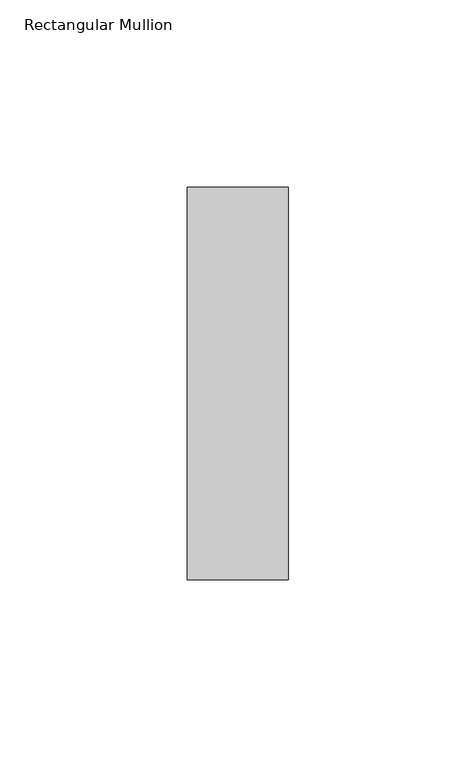
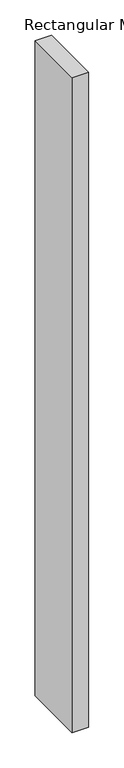
"""IFC4 building model written with IfcOpenShell, lengths in millimetres: member geometry, Rectangular Mullion."""

from ifc_helpers import new_model, si_unit, frame, origin, place, context, project, spatial, polyline, outline, extrude, source, transform, mapped, element, save


def rectangular_mullion_f250caf3(model_context):
    return source(origin(), model_context, "Body", "SweptSolid", [
        extrude(outline(polyline([(-27.0, 52.3975), (0.0, 52.3975), (0.0, -52.3975), (-27.0, -52.3975), (-27.0, 52.3975)])), frame((0.0, 0.0, -1132.5), z_axis=(0.0, 0.0, 1.0), x_axis=(1.0, 0.0, 0.0)), (0.0, 0.0, 1.0), 1132.5),
    ])


if __name__ == "__main__":
    model = new_model("IFC4")
    model_context = context("Model", 3, world=origin())
    ifc_project = project(units=[si_unit("LENGTHUNIT", "METRE", prefix="MILLI")], contexts=[model_context])
    site = spatial("IfcSite", under=ifc_project)
    building = spatial("IfcBuilding", under=site)
    placement = place(None, origin())
    rectangular_mullion_shape = rectangular_mullion_f250caf3(model_context)
    element("IfcMember", 1, ObjectType="Rectangular Mullion", at=placement, inside=building, context=model_context, shape_type="MappedRepresentation", body=[
        mapped(rectangular_mullion_shape, transform((0.0, 0.0, 0.0), x_axis=(1.0, 0.0, 0.0), y_axis=(0.0, 1.0, 0.0), z_axis=(0.0, 0.0, 1.0))),
    ])
    save(model, "model.ifc")
